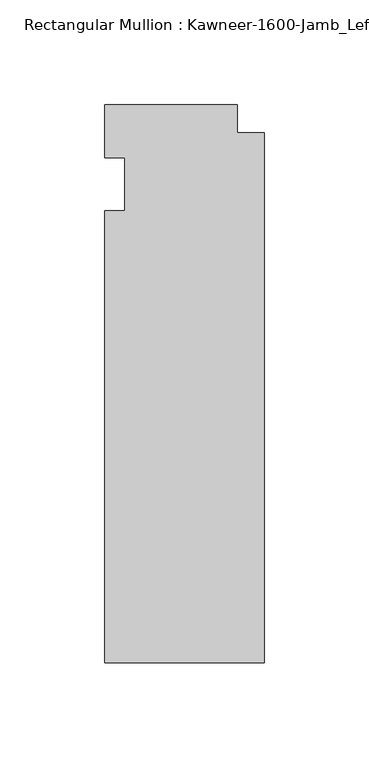
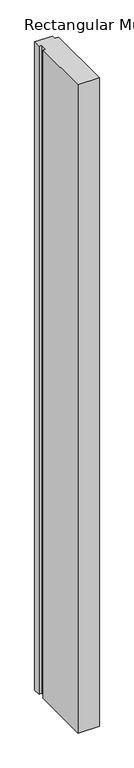
"""IFC4 building model written with IfcOpenShell, lengths in millimetres: member geometry."""

import ifcopenshell
import ifcopenshell.guid

model = None  # the IFC model being written
_history = None  # IfcOwnerHistory: only IFC2X3 demands one
_inside = {}  # id of a spatial element -> (the spatial element, [elements in it])
_under = {}  # id of a project, library or spatial element -> (it, [spatial elements below it])
_declared = {}  # id of a project -> (the project, [libraries it declares])
_typed = {}  # id of a type object -> (the type object, [elements of that type])
_made_of = {}  # id of a material, layer set ... -> (it, [elements and type objects made of it])


def new_model(schema):
    """Start an empty IFC model of exactly this schema.

    Asked for "IFC4X3", IfcOpenShell would pick the latest addendum, in which some entities
    have other attributes; the version numbers below select the first issue.
    IFC2X3 requires an IfcOwnerHistory on every rooted entity: one is made here for all.
    """
    global model, _history
    if schema == "IFC4X3":
        model = ifcopenshell.file(schema_version=(4, 3, 0, 0))
    else:
        model = ifcopenshell.file(schema=schema)
    _inside.clear()
    _under.clear()
    _declared.clear()
    _typed.clear()
    _made_of.clear()
    _history = None
    if model.schema == "IFC2X3":
        org = make("IfcOrganization", Name="unknown")
        user = make(
            "IfcPersonAndOrganization",
            ThePerson=make("IfcPerson", FamilyName="unknown"),
            TheOrganization=org,
        )
        app = make(
            "IfcApplication",
            ApplicationDeveloper=org,
            Version="unknown",
            ApplicationFullName="unknown",
            ApplicationIdentifier="unknown",
        )
        _history = make(
            "IfcOwnerHistory",
            OwningUser=user,
            OwningApplication=app,
            ChangeAction="ADDED",
            CreationDate=0,
        )
    return model


def make(cls, **values):
    """One entity of the class cls with the attributes given. An attribute that is None is left unset."""
    return model.create_entity(
        cls, **{name: value for name, value in values.items() if value is not None}
    )


def rooted(cls, **values):
    """An entity with a GlobalId (a new one), such as an element, a storey or a relation."""
    return make(cls, GlobalId=ifcopenshell.guid.new(), OwnerHistory=_history, **values)


def si_unit(unit_type, name, prefix=None):
    """IfcSIUnit, for example si_unit("LENGTHUNIT", "METRE", prefix="MILLI")."""
    return make("IfcSIUnit", UnitType=unit_type, Prefix=prefix, Name=name)


def assignment(units):
    """IfcUnitAssignment: the units of a project."""
    return None if units is None else make("IfcUnitAssignment", Units=units)


def point(xyz):
    """IfcCartesianPoint."""
    return None if xyz is None else make("IfcCartesianPoint", Coordinates=xyz)


def direction(xyz):
    """IfcDirection."""
    return None if xyz is None else make("IfcDirection", DirectionRatios=xyz)


def frame(location, z_axis=None, x_axis=None):
    """IfcAxis2Placement3D, a coordinate frame: its origin and axes. An axis left out is left unset."""
    return make(
        "IfcAxis2Placement3D",
        Location=point(location),
        Axis=direction(z_axis),
        RefDirection=direction(x_axis),
    )


def origin():
    """The frame at (0, 0, 0) with its axes left unset."""
    return frame((0.0, 0.0, 0.0))


def place(relative_to, where):
    """IfcLocalPlacement: puts the frame where relative to a parent placement (None: the world)."""
    return make(
        "IfcLocalPlacement", PlacementRelTo=relative_to, RelativePlacement=where
    )


def context(
    kind, dimensions, precision=None, world=None, true_north=None, identifier=None
):
    """IfcGeometricRepresentationContext, for example the 3D "Model" context."""
    return make(
        "IfcGeometricRepresentationContext",
        ContextIdentifier=identifier,
        ContextType=kind,
        CoordinateSpaceDimension=dimensions,
        Precision=precision,
        WorldCoordinateSystem=world,
        TrueNorth=true_north,
    )


def project(units=None, contexts=None):
    """IfcProject with its units and contexts."""
    return rooted(
        "IfcProject",
        Name="project",
        RepresentationContexts=contexts,
        UnitsInContext=assignment(units),
    )


def spatial(cls, under=None, at=None, **own):
    """A site, building, storey or space (cls), placed at a placement, below another one or the project."""
    s = rooted(cls, ObjectPlacement=at, **own)
    if under is not None:
        _under.setdefault(under.id(), (under, []))[1].append(s)
    return s


def polyline(points):
    """IfcPolyline through the points."""
    return make("IfcPolyline", Points=[point(p) for p in points])


def outline(outer, holes=None, kind="AREA"):
    """IfcArbitraryClosedProfileDef: a profile drawn as a closed curve; with holes, ...WithVoids."""
    if holes is None:
        return make("IfcArbitraryClosedProfileDef", ProfileType=kind, OuterCurve=outer)
    return make(
        "IfcArbitraryProfileDefWithVoids",
        ProfileType=kind,
        OuterCurve=outer,
        InnerCurves=holes,
    )


def extrude(swept, where, along, depth):
    """IfcExtrudedAreaSolid: the profile swept, set in the frame where, extruded along a direction by depth."""
    return make(
        "IfcExtrudedAreaSolid",
        SweptArea=swept,
        Position=where,
        ExtrudedDirection=direction(along),
        Depth=depth,
    )


def shape(context_of_items, identifier, shape_type, items):
    """IfcShapeRepresentation: the items that make up one representation, for example the "Body"."""
    return make(
        "IfcShapeRepresentation",
        ContextOfItems=context_of_items,
        RepresentationIdentifier=identifier,
        RepresentationType=shape_type,
        Items=items,
    )


def source(mapping_origin, context_of_items, identifier, shape_type, items):
    """IfcRepresentationMap: a shape defined once, which mapped items show again and again."""
    return make(
        "IfcRepresentationMap",
        MappingOrigin=mapping_origin,
        MappedRepresentation=shape(context_of_items, identifier, shape_type, items),
    )


def transform(
    local_origin,
    x_axis=None,
    y_axis=None,
    z_axis=None,
    scale=None,
    scale2=None,
    scale3=None,
    uniform=True,
):
    """IfcCartesianTransformationOperator3D, or its non-uniform kind. x_axis, y_axis, z_axis: its Axis1, 2, 3."""
    if uniform:
        return make(
            "IfcCartesianTransformationOperator3D",
            Axis1=direction(x_axis),
            Axis2=direction(y_axis),
            LocalOrigin=point(local_origin),
            Scale=scale,
            Axis3=direction(z_axis),
        )
    return make(
        "IfcCartesianTransformationOperator3DnonUniform",
        Axis1=direction(x_axis),
        Axis2=direction(y_axis),
        LocalOrigin=point(local_origin),
        Scale=scale,
        Axis3=direction(z_axis),
        Scale2=scale2,
        Scale3=scale3,
    )


def mapped(mapping_source, mapping_target):
    """IfcMappedItem: shows the shape of a source again, moved by a transform."""
    return make(
        "IfcMappedItem", MappingSource=mapping_source, MappingTarget=mapping_target
    )


def made_of(thing, what):
    """Note that an element or type object is made of a material, layer set ...; save() writes the relation."""
    if what is not None:
        _made_of.setdefault(what.id(), (what, []))[1].append(thing)
    return thing


def element(
    cls,
    number,
    at=None,
    inside=None,
    cuts=None,
    type_object=None,
    material=None,
    context=None,
    identifier="Body",
    shape_type=None,
    held_by="IfcProductDefinitionShape",
    body=None,
    shapes=None,
    **own,
):
    """One element of the class cls, such as IfcWall. Its Tag is "e" and its number.

    at: its placement. inside: the storey or other place that contains it. cuts: it is an
    opening in that element (IfcRelVoidsElement). A single representation is given by context,
    identifier, shape_type and body (its items); several are given by shapes. held_by: the class
    of the entity that holds the representations. save() writes the other relations.
    """
    e = rooted(cls, Tag="e%d" % number, ObjectPlacement=at, **own)
    if body is not None:
        shapes = [shape(context, identifier, shape_type, body)]
    if shapes is not None:
        e.Representation = make(held_by, Representations=shapes)
    if inside is not None:
        _inside.setdefault(inside.id(), (inside, []))[1].append(e)
    if cuts is not None:
        rooted(
            "IfcRelVoidsElement", RelatingBuildingElement=cuts, RelatedOpeningElement=e
        )
    if type_object is not None:
        _typed.setdefault(type_object.id(), (type_object, []))[1].append(e)
    return made_of(e, material)


def aggregate(whole, parts):
    """IfcRelAggregates: a whole, such as a stair, and the parts it consists of."""
    return rooted("IfcRelAggregates", RelatingObject=whole, RelatedObjects=parts)


def save(model, path):
    """Write the relations noted so far, then the file.

    IfcRelAggregates (storeys below a building ...), IfcRelContainedInSpatialStructure (elements
    in a storey), IfcRelDefinesByType, IfcRelAssociatesMaterial and IfcRelDeclares: one each for
    every whole, place, type object, material and project.
    """
    for whole, parts in _under.values():
        aggregate(whole, parts)
    for where, things in _inside.values():
        rooted(
            "IfcRelContainedInSpatialStructure",
            RelatedElements=things,
            RelatingStructure=where,
        )
    for kind, things in _typed.values():
        rooted("IfcRelDefinesByType", RelatedObjects=things, RelatingType=kind)
    for what, things in _made_of.values():
        rooted("IfcRelAssociatesMaterial", RelatedObjects=things, RelatingMaterial=what)
    for by, libraries in _declared.values():
        rooted("IfcRelDeclares", RelatingContext=by, RelatedDefinitions=libraries)
    model.write(path)


def member_f6f3d4c1(model_context):
    return source(origin(), model_context, "Body", "SweptSolid", [
        extrude(outline(polyline([(-76.2, -12.7), (-66.675, -12.7), (-66.675, 12.7), (-76.2, 12.7), (-76.2, 38.1), (-12.7, 38.1), (-12.7, 24.60625), (0.0, 24.60625), (0.0, -228.6), (-76.2, -228.6), (-76.2, -12.7)])), frame((0.0, 0.0, -2438.4), z_axis=(0.0, 0.0, 1.0), x_axis=(1.0, 0.0, 0.0)), (0.0, 0.0, 1.0), 2438.4),
    ])


if __name__ == "__main__":
    model = new_model("IFC4")
    model_context = context("Model", 3, world=origin())
    ifc_project = project(units=[si_unit("LENGTHUNIT", "METRE", prefix="MILLI")], contexts=[model_context])
    site = spatial("IfcSite", under=ifc_project)
    building = spatial("IfcBuilding", under=site)
    placement = place(None, origin())
    member_shape = member_f6f3d4c1(model_context)
    element("IfcMember", 1, ObjectType="Rectangular Mullion : Kawneer-1600-Jamb_Left-System1-10_1/2\"-1\"Infill", at=placement, inside=building, context=model_context, shape_type="MappedRepresentation", body=[
        mapped(member_shape, transform((0.0, 0.0, 0.0), x_axis=(1.0, 0.0, 0.0), y_axis=(0.0, 1.0, 0.0), z_axis=(0.0, 0.0, 1.0))),
    ])
    save(model, "model.ifc")
